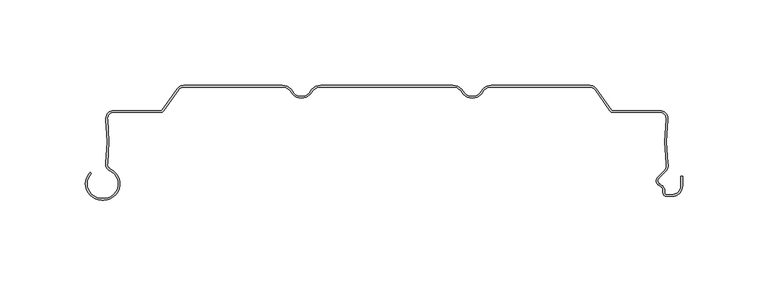
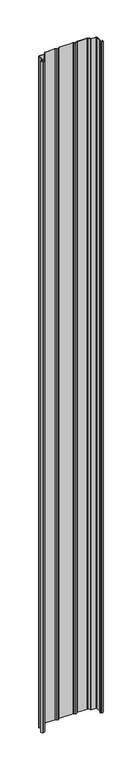
"""IFC4 building model written with IfcOpenShell, lengths in millimetres: plate geometry."""

from ifc_helpers import new_model, si_unit, point, frame_2d, origin, origin_with_axes, place, context, project, spatial, polyline, circle_curve, trimmed, segment, composite_curve, outline, extrude, source, transform, mapped, element, save


def plate_9487b36e(model_context):
    return source(origin(), model_context, "Body", "SweptSolid", [
        extrude(outline(composite_curve([segment(polyline([(-167.0602536, -66.1554676), (-165.8062536, -66.1554676)]), True, "CONTINUOUS"), segment(trimmed(circle_curve(frame_2d((-165.8062536, -57.6554676)), 8.5), [point((-165.8062536, -66.1554676))], [point((-162.2302226, -49.9443067))], True, "CARTESIAN"), True, "CONTINUOUS"), segment(trimmed(circle_curve(frame_2d((-160.5053136, -46.2248056)), 4.1), [point((-162.2302226, -49.9443067))], [point((-164.5713666, -45.6982956))], False, "CARTESIAN"), True, "CONTINUOUS"), segment(trimmed(circle_curve(frame_2d((-263.2475316, -32.9207976)), 99.5), [point((-164.5713666, -45.6982956))], [point((-164.5775105, -20.0959415))], True, "CARTESIAN"), True, "CONTINUOUS"), segment(trimmed(circle_curve(frame_2d((-159.9167155, -19.4901443)), 4.7), [point((-164.5775105, -20.0959415))], [point((-159.9167155, -14.7901443))], False, "CARTESIAN"), True, "CONTINUOUS"), segment(polyline([(-159.9167155, -14.7901443), (-132.1998235, -14.7901443)]), True, "CONTINUOUS"), segment(trimmed(circle_curve(frame_2d((-132.1998235, -13.8401443)), 0.95), [point((-132.1998235, -14.7901443))], [point((-131.4216291, -14.3850419))], True, "CARTESIAN"), True, "CONTINUOUS"), segment(polyline([(-131.4216291, -14.3850419), (-122.7524638, -2.0041907)]), True, "CONTINUOUS"), segment(trimmed(circle_curve(frame_2d((-118.9024492, -4.7)), 4.7), [point((-122.7524638, -2.0041907))], [point((-118.9024492, 0.0))], False, "CARTESIAN"), True, "CONTINUOUS"), segment(polyline([(-118.9024492, 0.0), (-61.2583302, 0.0)]), True, "CONTINUOUS"), segment(trimmed(circle_curve(frame_2d((-61.2583302, -7.0)), 7.0), [point((-61.2583302, 0.0))], [point((-55.1961524, -3.5))], False, "CARTESIAN"), True, "CONTINUOUS"), segment(trimmed(circle_curve(frame_2d((-50.0, -0.5)), 6.0), [point((-55.1961524, -3.5))], [point((-50.0, -6.5))], True, "CARTESIAN"), True, "CONTINUOUS"), segment(trimmed(circle_curve(frame_2d((-50.0, -0.5)), 6.0), [point((-50.0, -6.5))], [point((-44.8038476, -3.5))], True, "CARTESIAN"), True, "CONTINUOUS"), segment(trimmed(circle_curve(frame_2d((-38.7416698, -7.0)), 7.0), [point((-44.8038476, -3.5))], [point((-38.7416698, 0.0))], False, "CARTESIAN"), True, "CONTINUOUS"), segment(polyline([(-38.7416698, 0.0), (38.7416698, 0.0)]), True, "CONTINUOUS"), segment(trimmed(circle_curve(frame_2d((38.7416698, -7.0)), 7.0), [point((38.7416698, 0.0))], [point((44.8038476, -3.5))], False, "CARTESIAN"), True, "CONTINUOUS"), segment(trimmed(circle_curve(frame_2d((50.0, -0.5)), 6.0), [point((44.8038476, -3.5))], [point((50.0, -6.5))], True, "CARTESIAN"), True, "CONTINUOUS"), segment(trimmed(circle_curve(frame_2d((50.0, -0.5)), 6.0), [point((50.0, -6.5))], [point((55.1961524, -3.5))], True, "CARTESIAN"), True, "CONTINUOUS"), segment(trimmed(circle_curve(frame_2d((61.2583302, -7.0)), 7.0), [point((55.1961524, -3.5))], [point((61.2583302, 0.0))], False, "CARTESIAN"), True, "CONTINUOUS"), segment(polyline([(61.2583302, 0.0), (118.9024492, 0.0)]), True, "CONTINUOUS"), segment(trimmed(circle_curve(frame_2d((118.9024492, -4.7)), 4.7), [point((118.9024492, 0.0))], [point((122.7524638, -2.0041907))], False, "CARTESIAN"), True, "CONTINUOUS"), segment(polyline([(122.7524638, -2.0041907), (131.4216291, -14.3850419)]), True, "CONTINUOUS"), segment(trimmed(circle_curve(frame_2d((132.1998235, -13.8401443)), 0.95), [point((131.4216291, -14.3850419))], [point((132.1998235, -14.7901443))], True, "CARTESIAN"), True, "CONTINUOUS"), segment(polyline([(132.1998235, -14.7901443), (159.9167155, -14.7901443)]), True, "CONTINUOUS"), segment(trimmed(circle_curve(frame_2d((159.9167155, -19.4901443)), 4.7), [point((159.9167155, -14.7901443))], [point((164.5775105, -20.0959415))], False, "CARTESIAN"), True, "CONTINUOUS"), segment(trimmed(circle_curve(frame_2d((263.2475316, -32.9207976)), 99.5), [point((164.5775105, -20.0959415))], [point((164.5760442, -45.7343672))], True, "CARTESIAN"), True, "CONTINUOUS"), segment(trimmed(circle_curve(frame_2d((160.0684535, -47.0653915)), 4.7), [point((164.5760442, -45.7343672))], [point((163.4270442, -50.3532279))], False, "CARTESIAN"), True, "CONTINUOUS"), segment(polyline([(163.4270442, -50.3532279), (159.3931689, -54.3871033)]), True, "CONTINUOUS"), segment(trimmed(circle_curve(frame_2d((160.9488038, -55.9427382)), 2.2), [point((159.3931689, -54.3871033))], [point((160.1238712, -57.98222))], True, "CARTESIAN"), True, "CONTINUOUS"), segment(trimmed(circle_curve(frame_2d((158.549, -61.8757763)), 4.2), [point((160.1238712, -57.98222))], [point((162.749, -61.8757763))], False, "CARTESIAN"), True, "CONTINUOUS"), segment(polyline([(162.749, -61.8757763), (162.749, -63.0)]), True, "CONTINUOUS"), segment(trimmed(circle_curve(frame_2d((163.749, -63.0)), 1.0), [point((162.749, -63.0))], [point((163.749, -64.0))], True, "CARTESIAN"), True, "CONTINUOUS"), segment(polyline([(163.749, -64.0), (167.05, -64.0)]), True, "CONTINUOUS"), segment(trimmed(circle_curve(frame_2d((167.05, -58.8)), 5.2), [point((167.05, -64.0))], [point((172.25, -58.8))], True, "CARTESIAN"), True, "CONTINUOUS"), segment(polyline([(172.25, -58.8), (172.25, -53.169), (173.25, -53.169), (173.25, -58.8)]), True, "CONTINUOUS"), segment(trimmed(circle_curve(frame_2d((167.05, -58.8)), 6.2), [point((173.25, -58.8))], [point((167.05, -65.0))], False, "CARTESIAN"), True, "CONTINUOUS"), segment(polyline([(167.05, -65.0), (163.749, -65.0)]), True, "CONTINUOUS"), segment(trimmed(circle_curve(frame_2d((163.749, -63.0)), 2.0), [point((163.749, -65.0))], [point((161.749, -63.0))], False, "CARTESIAN"), True, "CONTINUOUS"), segment(polyline([(161.749, -63.0), (161.749, -61.8757763)]), True, "CONTINUOUS"), segment(trimmed(circle_curve(frame_2d((158.549, -61.8757763)), 3.2), [point((161.749, -61.8757763))], [point((159.7489019, -58.9092572))], True, "CARTESIAN"), True, "CONTINUOUS"), segment(trimmed(circle_curve(frame_2d((160.9488038, -55.9427382)), 3.2), [point((159.7489019, -58.9092572))], [point((158.6860621, -53.6799965))], False, "CARTESIAN"), True, "CONTINUOUS"), segment(polyline([(158.6860621, -53.6799965), (162.7159489, -49.6501096)]), True, "CONTINUOUS"), segment(trimmed(circle_curve(frame_2d((160.0684535, -47.0653915)), 3.7), [point((162.7159489, -49.6501096))], [point((163.5952383, -45.9465578))], True, "CARTESIAN"), True, "CONTINUOUS"), segment(trimmed(circle_curve(frame_2d((263.2475316, -32.9207976)), 100.5), [point((163.5952383, -45.9465578))], [point((163.585852, -19.9670485))], False, "CARTESIAN"), True, "CONTINUOUS"), segment(trimmed(circle_curve(frame_2d((159.9167155, -19.4901443)), 3.7), [point((163.585852, -19.9670485))], [point((159.9167155, -15.7901443))], True, "CARTESIAN"), True, "CONTINUOUS"), segment(polyline([(159.9167155, -15.7901443), (132.1998235, -15.7901443)]), True, "CONTINUOUS"), segment(trimmed(circle_curve(frame_2d((132.1998235, -13.8401443)), 1.95), [point((132.1998235, -15.7901443))], [point((130.6024771, -14.9586183))], False, "CARTESIAN"), True, "CONTINUOUS"), segment(polyline([(130.6024771, -14.9586183), (121.9333118, -2.5777672)]), True, "CONTINUOUS"), segment(trimmed(circle_curve(frame_2d((118.9024492, -4.7)), 3.7), [point((121.9333118, -2.5777672))], [point((118.9024492, -1.0))], True, "CARTESIAN"), True, "CONTINUOUS"), segment(polyline([(118.9024492, -1.0), (61.2583302, -1.0)]), True, "CONTINUOUS"), segment(trimmed(circle_curve(frame_2d((61.2583302, -7.0)), 6.0), [point((61.2583302, -1.0))], [point((56.0621778, -4.0))], True, "CARTESIAN"), True, "CONTINUOUS"), segment(trimmed(circle_curve(frame_2d((50.0, -0.5)), 7.0), [point((56.0621778, -4.0))], [point((50.0, -7.5))], False, "CARTESIAN"), True, "CONTINUOUS"), segment(trimmed(circle_curve(frame_2d((50.0, -0.5)), 7.0), [point((50.0, -7.5))], [point((43.9378222, -4.0))], False, "CARTESIAN"), True, "CONTINUOUS"), segment(trimmed(circle_curve(frame_2d((38.7416698, -7.0)), 6.0), [point((43.9378222, -4.0))], [point((38.7416698, -1.0))], True, "CARTESIAN"), True, "CONTINUOUS"), segment(polyline([(38.7416698, -1.0), (-38.7416698, -1.0)]), True, "CONTINUOUS"), segment(trimmed(circle_curve(frame_2d((-38.7416698, -7.0)), 6.0), [point((-38.7416698, -1.0))], [point((-43.9378222, -4.0))], True, "CARTESIAN"), True, "CONTINUOUS"), segment(trimmed(circle_curve(frame_2d((-50.0, -0.5)), 7.0), [point((-43.9378222, -4.0))], [point((-50.0, -7.5))], False, "CARTESIAN"), True, "CONTINUOUS"), segment(trimmed(circle_curve(frame_2d((-50.0, -0.5)), 7.0), [point((-50.0, -7.5))], [point((-56.0621778, -4.0))], False, "CARTESIAN"), True, "CONTINUOUS"), segment(trimmed(circle_curve(frame_2d((-61.2583302, -7.0)), 6.0), [point((-56.0621778, -4.0))], [point((-61.2583302, -1.0))], True, "CARTESIAN"), True, "CONTINUOUS"), segment(polyline([(-61.2583302, -1.0), (-118.9024492, -1.0)]), True, "CONTINUOUS"), segment(trimmed(circle_curve(frame_2d((-118.9024492, -4.7)), 3.7), [point((-118.9024492, -1.0))], [point((-121.9333118, -2.5777672))], True, "CARTESIAN"), True, "CONTINUOUS"), segment(polyline([(-121.9333118, -2.5777672), (-130.6024771, -14.9586183)]), True, "CONTINUOUS"), segment(trimmed(circle_curve(frame_2d((-132.1998235, -13.8401443)), 1.95), [point((-130.6024771, -14.9586183))], [point((-132.1998235, -15.7901443))], False, "CARTESIAN"), True, "CONTINUOUS"), segment(polyline([(-132.1998235, -15.7901443), (-159.9167155, -15.7901443)]), True, "CONTINUOUS"), segment(trimmed(circle_curve(frame_2d((-159.9167155, -19.4901443)), 3.7), [point((-159.9167155, -15.7901443))], [point((-163.585852, -19.9670485))], True, "CARTESIAN"), True, "CONTINUOUS"), segment(trimmed(circle_curve(frame_2d((-263.2475316, -32.9207976)), 100.5), [point((-163.585852, -19.9670485))], [point((-163.5796464, -45.8267127))], False, "CARTESIAN"), True, "CONTINUOUS"), segment(trimmed(circle_curve(frame_2d((-160.5053136, -46.2248056)), 3.1), [point((-163.5796464, -45.8267127))], [point((-161.8095131, -49.0371113))], True, "CARTESIAN"), True, "CONTINUOUS"), segment(trimmed(circle_curve(frame_2d((-165.8062536, -57.6554676)), 9.5), [point((-161.8095131, -49.0371113))], [point((-165.8062536, -67.1554676))], False, "CARTESIAN"), True, "CONTINUOUS"), segment(polyline([(-165.8062536, -67.1554676), (-167.0602536, -67.1554676)]), True, "CONTINUOUS"), segment(trimmed(circle_curve(frame_2d((-167.0602536, -57.6554676)), 9.5), [point((-167.0602536, -67.1554676))], [point((-173.777768, -50.9379532))], False, "CARTESIAN"), True, "CONTINUOUS"), segment(polyline([(-173.777768, -50.9379532), (-173.0706612, -51.64506)]), True, "CONTINUOUS"), segment(trimmed(circle_curve(frame_2d((-167.0602536, -57.6554676)), 8.5), [point((-173.0706612, -51.64506))], [point((-167.0602536, -66.1554676))], True, "CARTESIAN"), True, "CONTINUOUS")], self_intersect=False)), origin_with_axes(), (0.0, 0.0, 1.0), 4000.0),
    ])


if __name__ == "__main__":
    model = new_model("IFC4")
    model_context = context("Model", 3, world=origin())
    ifc_project = project(units=[si_unit("LENGTHUNIT", "METRE", prefix="MILLI")], contexts=[model_context])
    site = spatial("IfcSite", under=ifc_project)
    building = spatial("IfcBuilding", under=site)
    placement = place(None, origin())
    plate_shape = plate_9487b36e(model_context)
    element("IfcPlate", 1, at=placement, inside=building, context=model_context, shape_type="MappedRepresentation", body=[
        mapped(plate_shape, transform((0.0, 0.0, 0.0), x_axis=(1.0, 0.0, 0.0), y_axis=(0.0, 1.0, 0.0), z_axis=(0.0, 0.0, 1.0))),
    ])
    save(model, "model.ifc")
